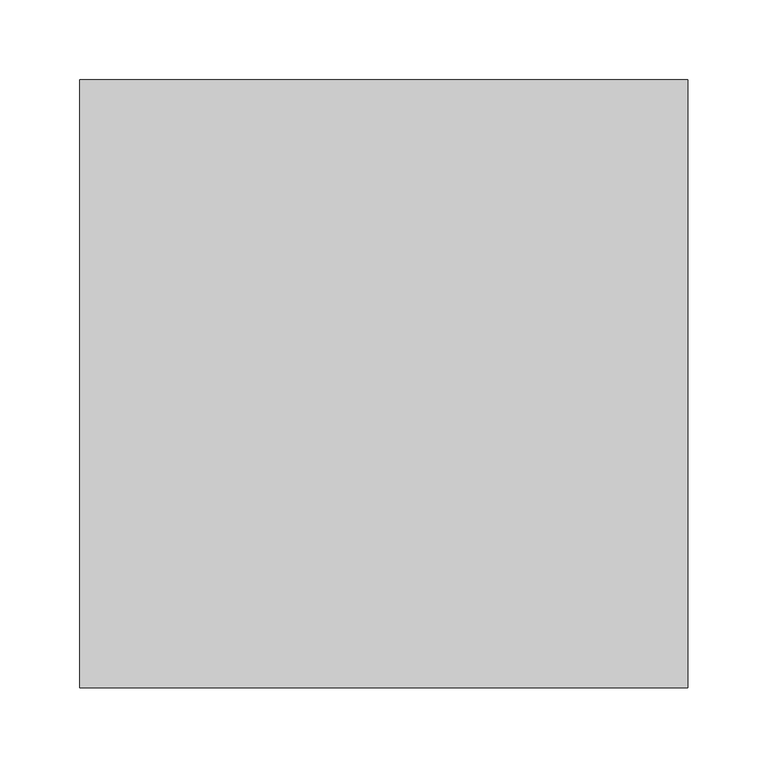
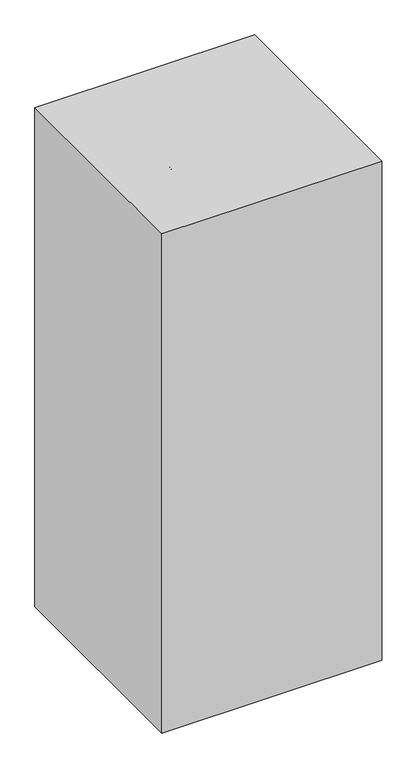
"""IFC4 building model written with IfcOpenShell, lengths in millimetres: proxy geometry."""

from ifc_helpers import new_model, si_unit, point, frame, frame_2d, origin, origin_with_axes, place, context, project, spatial, polyline, circle_curve, ellipse_curve, trimmed, segment, composite_curve, outline, extrude, source, transform, mapped, element, save
from ifc_brep_helpers import plane_surface, cylinder_surface, revolved_surface, advanced_brep


def specialty_equipment_75e57760(model_context):
    return source(origin(), model_context, "Body", "SolidModel", [
        extrude(outline(polyline([(0.0, 76.2), (12.7, 76.2), (12.7, 0.0), (0.0, 0.0), (0.0, 76.2)])), frame((-177.5900934, -239.9893842, 820.2504278), z_axis=(0.0, 0.4694715627858957, 0.8829475928589243), x_axis=(0.0, -0.8829475928589243, 0.4694715627858957)), (0.0, 0.0, 1.0), 76.2),
        advanced_brep(
        [(44.45, -215.9, 736.6), (44.45, -215.9, 723.9), (-22.0110536, -215.9, 723.9), (-16.0889464, -215.9, 736.6), (-90.7072211, -215.9, 805.7689044), (-78.0072211, -215.9, 810.3913264), (-90.7072211, -215.9, 846.1801154), (-78.0072211, -215.9, 858.8801154), (-160.5572211, -215.9, 858.8801154), (-160.5572211, -215.9, 846.1801154)],
        [
            (0, 1, circle_curve(frame((44.45, -215.9, 730.25), z_axis=(1.0, 0.0, 0.0), x_axis=(0.0, 0.0, -1.0)), 6.35)),
            (1, 0, circle_curve(frame((44.45, -215.9, 730.25), z_axis=(1.0, 0.0, 0.0), x_axis=(0.0, 0.0, -1.0)), 6.35)),
            (1, 2),
            (2, 3, ellipse_curve(frame((-19.05, -215.9, 730.25), z_axis=(0.9063077870366524, 0.0, -0.4226182617406946), x_axis=(0.42261826174069395, 0.0, 0.9063077870366525)), 7.0064498, 6.35)),
            (3, 0),
            (3, 2, ellipse_curve(frame((-19.05, -215.9, 730.25), z_axis=(0.9063077870366524, 0.0, -0.4226182617406946), x_axis=(0.42261826174069395, 0.0, 0.9063077870366525)), 7.0064498, 6.35)),
            (2, 4),
            (4, 5, ellipse_curve(frame((-84.3572211, -215.9, 808.0801154), z_axis=(0.3420201433256669, 0.0, -0.9396926207859092), x_axis=(0.9396926207859089, 0.0, 0.3420201433256674)), 6.7575289, 6.35)),
            (5, 3),
            (5, 4, ellipse_curve(frame((-84.3572211, -215.9, 808.0801154), z_axis=(0.3420201433256669, 0.0, -0.9396926207859092), x_axis=(0.9396926207859089, 0.0, 0.3420201433256674)), 6.7575289, 6.35)),
            (4, 6),
            (6, 7, ellipse_curve(frame((-84.3572211, -215.9, 852.5301154), z_axis=(0.7071067811865464, 0.0, -0.7071067811865487), x_axis=(-0.7071067811865487, 0.0, -0.7071067811865464)), 8.9802561, 6.35)),
            (7, 5),
            (7, 6, ellipse_curve(frame((-84.3572211, -215.9, 852.5301154), z_axis=(0.7071067811865464, 0.0, -0.7071067811865487), x_axis=(-0.7071067811865487, 0.0, -0.7071067811865464)), 8.9802561, 6.35)),
            (8, 9, circle_curve(frame((-160.5572211, -215.9, 852.5301154), z_axis=(-1.0, 0.0, 0.0), x_axis=(0.0, 0.0, -1.0)), 6.35)),
            (9, 8, circle_curve(frame((-160.5572211, -215.9, 852.5301154), z_axis=(-1.0, 0.0, 0.0), x_axis=(0.0, 0.0, -1.0)), 6.35)),
            (6, 9),
            (8, 7),
        ],
        [
            plane_surface(frame((44.45, -215.9, 730.25), z_axis=(1.0, 0.0, 0.0), x_axis=(0.0, 1.0, 0.0))),
            cylinder_surface(frame((44.45, -215.9, 730.25), z_axis=(1.0, 0.0, 0.0), x_axis=(0.0, 0.0, -1.0)), 6.35),
            cylinder_surface(frame((-19.05, -215.9, 730.25), z_axis=(0.6427876096865375, 0.0, -0.7660444431189797), x_axis=(-0.7660444431189797, 0.0, -0.6427876096865375)), 6.35),
            cylinder_surface(frame((-84.3572211, -215.9, 808.0801154), z_axis=(0.0, 0.0, -1.0), x_axis=(-1.0, 0.0, 0.0)), 6.35),
            plane_surface(frame((-160.5572211, -215.9, 852.5301154), z_axis=(-1.0, 0.0, 0.0), x_axis=(0.0, 1.0, 0.0))),
            cylinder_surface(frame((-84.3572211, -215.9, 852.5301154), z_axis=(1.0, 0.0, 0.0), x_axis=(0.0, 0.0, -1.0)), 6.35),
        ],
        [
            (0, [[1, 2]]),
            (1, [[3, 4, 5, -2]]),
            (1, [[-5, 6, -3, -1]]),
            (2, [[7, 8, 9, -4]]),
            (2, [[-9, 10, -7, -6]]),
            (3, [[11, 12, 13, -8]]),
            (3, [[-13, 14, -11, -10]]),
            (4, [[15, 16]]),
            (5, [[17, -15, 18, -12]]),
            (5, [[-18, -16, -17, -14]]),
        ],
    ),
        extrude(outline(composite_curve([segment(trimmed(circle_curve(frame_2d((730.25, 63.5)), 12.7), [point((730.25, 50.8))], [point((730.25, 76.2))], False, "CARTESIAN"), True, "CONTINUOUS"), segment(trimmed(circle_curve(frame_2d((730.25, 63.5)), 12.7), [point((730.25, 76.2))], [point((730.25, 50.8))], False, "CARTESIAN"), True, "CONTINUOUS")], self_intersect=False)), frame((0.0, -247.65, 0.0), z_axis=(0.0, 1.0, 0.0), x_axis=(0.0, 0.0, 1.0)), (0.0, 0.0, 1.0), 158.75),
        extrude(outline(composite_curve([segment(trimmed(circle_curve(frame_2d((730.25, 63.5)), 19.05), [point((730.25, 44.45))], [point((730.25, 82.55))], False, "CARTESIAN"), True, "CONTINUOUS"), segment(trimmed(circle_curve(frame_2d((730.25, 63.5)), 19.05), [point((730.25, 82.55))], [point((730.25, 44.45))], False, "CARTESIAN"), True, "CONTINUOUS")], self_intersect=False)), frame((0.0, -88.9, 0.0), z_axis=(0.0, 1.0, 0.0), x_axis=(0.0, 0.0, 1.0)), (0.0, 0.0, 1.0), 12.7),
        advanced_brep(
        [(6.6749119, -243.5968916, 875.3512512), (-10.6059042, -243.5968916, 883.409428), (-6.9449456, -243.5968916, 853.6764958), (-18.4550544, -243.5968916, 859.0437478)],
        [
            (0, 1, circle_curve(frame((-1.9654962, -243.5968916, 879.3803396), z_axis=(0.42261826174068884, 0.0, 0.9063077870366552), x_axis=(-0.9063077870366548, 0.0, 0.42261826174068906)), 9.5336354)),
            (1, 0, circle_curve(frame((-1.9654962, -243.5968916, 879.3803396), z_axis=(0.42261826174068884, 0.0, 0.9063077870366552), x_axis=(0.9063077870366554, 0.0, -0.4226182617406879)), 9.5336354)),
            (2, 3, circle_curve(frame((-12.7, -243.5968916, 856.3601218), z_axis=(-0.42261826174068884, 0.0, -0.9063077870366552), x_axis=(0.9063077870366554, 0.0, -0.4226182617406879)), 6.35)),
            (3, 2, circle_curve(frame((-12.7, -243.5968916, 856.3601218), z_axis=(-0.42261826174068884, 0.0, -0.9063077870366552), x_axis=(-0.9063077870366548, 0.0, 0.42261826174068906)), 6.35)),
            (3, 1),
            (0, 2),
        ],
        [
            plane_surface(frame((-1.9654962, -243.5968916, 879.3803396), z_axis=(0.42261826174068934, 0.0, 0.9063077870366547), x_axis=(0.0, -1.0, 0.0))),
            plane_surface(frame((-12.7, -243.5968916, 856.3601218), z_axis=(-0.42261826174068934, 0.0, -0.9063077870366547), x_axis=(0.0, -1.0, 0.0))),
            revolved_surface(polyline([(-18.45505446296622, -243.5968916, 859.0437477089987), (-10.605904175746641, -243.5968916, 883.4094280752884)]), (-34.1107742, -243.5968916, 810.4445683), (0.4226182617406887, 0.0, 0.9063077870366549)),
            revolved_surface(polyline([(-6.9449455778731135, -243.5968916, 853.6764957896821), (6.674911899999998, -243.5968916, 875.3512512)]), (-34.1107742, -243.5968916, 810.4445683), (0.4226182617406887, 0.0, 0.9063077870366549)),
        ],
        [
            (0, [[1, 2]]),
            (1, [[3, 4]]),
            (2, [[5, -1, 6, -4]]),
            (3, [[-6, -2, -5, -3]]),
        ],
    ),
        advanced_brep(
        [(120.3250881, -243.5968916, 875.3512512), (137.6059042, -243.5968916, 883.409428), (133.9449456, -243.5968916, 853.6764958), (145.4550544, -243.5968916, 859.0437478)],
        [
            (0, 1, circle_curve(frame((128.9654962, -243.5968916, 879.3803396), z_axis=(-0.4226182617406885, 0.0, 0.9063077870366552), x_axis=(0.9063077870366556, 0.0, 0.42261826174068745)), 9.5336354)),
            (1, 0, circle_curve(frame((128.9654962, -243.5968916, 879.3803396), z_axis=(-0.4226182617406885, 0.0, 0.9063077870366552), x_axis=(-0.9063077870366549, 0.0, -0.4226182617406886)), 9.5336354)),
            (2, 3, circle_curve(frame((139.7, -243.5968916, 856.3601218), z_axis=(0.4226182617406885, 0.0, -0.9063077870366552), x_axis=(-0.9063077870366549, 0.0, -0.4226182617406886)), 6.35)),
            (3, 2, circle_curve(frame((139.7, -243.5968916, 856.3601218), z_axis=(0.4226182617406885, 0.0, -0.9063077870366552), x_axis=(0.9063077870366556, 0.0, 0.42261826174068745)), 6.35)),
            (2, 0),
            (1, 3),
        ],
        [
            plane_surface(frame((128.9654962, -243.5968916, 879.3803396), z_axis=(-0.42261826174068934, 0.0, 0.9063077870366547), x_axis=(0.0, 1.0, 0.0))),
            plane_surface(frame((139.7, -243.5968916, 856.3601218), z_axis=(0.42261826174068934, 0.0, -0.9063077870366547), x_axis=(0.0, 1.0, 0.0))),
            revolved_surface(polyline([(133.9449455778731, -243.5968916, 853.676495789682), (120.3250881, -243.5968916, 875.3512512)]), (161.1107742, -243.5968916, 810.4445683), (-0.4226182617406885, 0.0, 0.9063077870366552)),
            revolved_surface(polyline([(145.45505446296622, -243.5968916, 859.0437477089987), (137.60590417574664, -243.5968916, 883.4094280752884)]), (161.1107742, -243.5968916, 810.4445683), (-0.4226182617406885, 0.0, 0.9063077870366552)),
        ],
        [
            (0, [[1, 2]]),
            (1, [[3, 4]]),
            (2, [[5, -2, 6, -3]]),
            (3, [[-6, -1, -5, -4]]),
        ],
    ),
        advanced_brep(
        [(133.9449456, -258.1987298, 853.6764958), (145.4550544, -258.1987298, 859.0437478), (154.7573277, -258.1987298, 839.0949585), (140.7444281, -258.1987298, 839.0949585), (135.6945183, -258.1987298, 798.2146318), (127.603726, -258.1987298, 810.9146318), (63.5, -258.1987298, 798.2146318), (63.5, -258.1987298, 810.9146318), (-8.6945183, -258.1987298, 798.2146318), (-0.603726, -258.1987298, 810.9146318), (-27.7573277, -258.1987298, 839.0949585), (-13.7444281, -258.1987298, 839.0949585), (-6.9449456, -258.1987298, 853.6764958), (-18.4550544, -258.1987298, 859.0437478)],
        [
            (0, 1, circle_curve(frame((139.7, -258.1987298, 856.3601218), z_axis=(-0.42261826174069717, 0.0, 0.906307787036651), x_axis=(0.906307787036651, 0.0, 0.42261826174069717)), 6.35)),
            (1, 0, circle_curve(frame((139.7, -258.1987298, 856.3601218), z_axis=(-0.42261826174069717, 0.0, 0.906307787036651), x_axis=(0.906307787036651, 0.0, 0.42261826174069717)), 6.35)),
            (1, 2),
            (2, 3, ellipse_curve(frame((147.7508779, -258.1987298, 839.0949585), z_axis=(0.0, 0.0, 1.0), x_axis=(-1.0, 0.0, 0.0)), 7.0064498, 6.35)),
            (3, 0),
            (3, 2, ellipse_curve(frame((147.7508779, -258.1987298, 839.0949585), z_axis=(0.0, 0.0, 1.0), x_axis=(-1.0, 0.0, 0.0)), 7.0064498, 6.35)),
            (2, 4),
            (4, 5, ellipse_curve(frame((131.6491221, -258.1987298, 804.5646318), z_axis=(0.8433914458128876, 0.0, 0.5372996083468209), x_axis=(-0.5372996083468209, 0.0, 0.8433914458128876)), 7.5291255, 6.35)),
            (5, 3),
            (5, 4, ellipse_curve(frame((131.6491221, -258.1987298, 804.5646318), z_axis=(0.8433914458128876, 0.0, 0.5372996083468209), x_axis=(-0.5372996083468209, 0.0, 0.8433914458128876)), 7.5291255, 6.35)),
            (4, 6),
            (6, 7, circle_curve(frame((63.5, -258.1987298, 804.5646318), z_axis=(1.0, 0.0, 0.0), x_axis=(0.0, 0.0, -1.0)), 6.35)),
            (7, 5),
            (7, 6, circle_curve(frame((63.5, -258.1987298, 804.5646318), z_axis=(1.0, 0.0, 0.0), x_axis=(0.0, 0.0, -1.0)), 6.35)),
            (6, 8),
            (8, 9, ellipse_curve(frame((-4.6491221, -258.1987298, 804.5646318), z_axis=(0.8433914458128859, 0.0, -0.5372996083468236), x_axis=(0.5372996083468233, 0.0, 0.8433914458128859)), 7.5291255, 6.35)),
            (9, 7),
            (9, 8, ellipse_curve(frame((-4.6491221, -258.1987298, 804.5646318), z_axis=(0.8433914458128859, 0.0, -0.5372996083468236), x_axis=(0.5372996083468233, 0.0, 0.8433914458128859)), 7.5291255, 6.35)),
            (8, 10),
            (10, 11, ellipse_curve(frame((-20.7508779, -258.1987298, 839.0949585), z_axis=(0.0, 0.0, -1.0), x_axis=(1.0, 0.0, 0.0)), 7.0064498, 6.35)),
            (11, 9),
            (11, 10, ellipse_curve(frame((-20.7508779, -258.1987298, 839.0949585), z_axis=(0.0, 0.0, -1.0), x_axis=(1.0, 0.0, 0.0)), 7.0064498, 6.35)),
            (12, 13, circle_curve(frame((-12.7, -258.1987298, 856.3601218), z_axis=(0.42261826174069733, 0.0, 0.9063077870366509), x_axis=(-0.9063077870366509, 0.0, 0.42261826174069733)), 6.35)),
            (13, 12, circle_curve(frame((-12.7, -258.1987298, 856.3601218), z_axis=(0.42261826174069733, 0.0, 0.9063077870366509), x_axis=(-0.9063077870366509, 0.0, 0.42261826174069733)), 6.35)),
            (10, 13),
            (12, 11),
        ],
        [
            plane_surface(frame((139.7, -76.2, 856.3601218), z_axis=(-0.42261826174069717, 0.0, 0.906307787036651), x_axis=(0.0, 1.0, 0.0))),
            cylinder_surface(frame((139.7, -258.1987298, 856.3601218), z_axis=(-0.42261826174069717, 0.0, 0.906307787036651), x_axis=(0.906307787036651, 0.0, 0.42261826174069717)), 6.35),
            cylinder_surface(frame((147.7508779, -258.1987298, 839.0949585), z_axis=(0.42261826174070577, 0.0, 0.9063077870366469), x_axis=(0.9063077870366469, 0.0, -0.42261826174070577)), 6.35),
            cylinder_surface(frame((131.6491221, -258.1987298, 804.5646318), z_axis=(1.0, 0.0, 0.0), x_axis=(0.0, 0.0, -1.0)), 6.35),
            cylinder_surface(frame((63.5, -258.1987298, 804.5646318), z_axis=(1.0, 0.0, 0.0), x_axis=(0.0, 0.0, -1.0)), 6.35),
            cylinder_surface(frame((-4.6491221, -258.1987298, 804.5646318), z_axis=(0.42261826174070016, 0.0, -0.9063077870366497), x_axis=(-0.9063077870366497, 0.0, -0.42261826174070016)), 6.35),
            plane_surface(frame((-12.7, -76.2, 856.3601218), z_axis=(0.4226182617406972, 0.0, 0.906307787036651), x_axis=(0.0, 1.0, 0.0))),
            cylinder_surface(frame((-20.7508779, -258.1987298, 839.0949585), z_axis=(-0.42261826174069733, 0.0, -0.9063077870366509), x_axis=(-0.9063077870366509, 0.0, 0.42261826174069733)), 6.35),
        ],
        [
            (0, [[1, 2]]),
            (1, [[3, 4, 5, -2]]),
            (1, [[-5, 6, -3, -1]]),
            (2, [[7, 8, 9, -4]]),
            (2, [[-9, 10, -7, -6]]),
            (3, [[11, 12, 13, -8]]),
            (3, [[-13, 14, -11, -10]]),
            (4, [[15, 16, 17, -12]]),
            (4, [[-17, 18, -15, -14]]),
            (5, [[19, 20, 21, -16]]),
            (5, [[-21, 22, -19, -18]]),
            (6, [[23, 24]]),
            (7, [[25, -23, 26, -20]]),
            (7, [[-26, -24, -25, -22]]),
        ],
    ),
        advanced_brep(
        [(-38.1, -254.0, 826.8645295), (-38.1, -254.0, 788.7645295), (165.1, -254.0, 788.7645295), (165.1, -254.0, 826.8645295), (-57.15, -254.0, 859.8600974), (184.15, -254.0, 859.8600974), (-52.5014774, -254.0, 864.50862), (179.5014774, -254.0, 864.50862), (-31.75, -254.0, 828.5660069), (158.75, -254.0, 828.5660069), (-31.75, -254.0, 795.1145295), (158.75, -254.0, 795.1145295), (63.5, -254.0, 795.1145295), (63.5, -254.0, 788.7645295)],
        [
            (0, 1),
            (1, 2, circle_curve(frame((63.5, -254.0, 788.7645295), z_axis=(0.0, 0.0, 1.0), x_axis=(1.0, 0.0, 0.0)), 101.6)),
            (2, 3),
            (3, 0, circle_curve(frame((63.5, -254.0, 826.8645295), z_axis=(0.0, 0.0, -1.0), x_axis=(1.0, 0.0, 0.0)), 101.6)),
            (2, 1, circle_curve(frame((63.5, -254.0, 788.7645295), z_axis=(0.0, 0.0, 1.0), x_axis=(1.0, 0.0, 0.0)), 101.6)),
            (0, 3, circle_curve(frame((63.5, -254.0, 826.8645295), z_axis=(0.0, 0.0, -1.0), x_axis=(1.0, 0.0, 0.0)), 101.6)),
            (4, 0),
            (3, 5),
            (5, 4, circle_curve(frame((63.5, -254.0, 859.8600974), z_axis=(0.0, 0.0, -1.0), x_axis=(1.0, 0.0, 0.0)), 120.65)),
            (4, 5, circle_curve(frame((63.5, -254.0, 859.8600974), z_axis=(0.0, 0.0, -1.0), x_axis=(1.0, 0.0, 0.0)), 120.65)),
            (6, 4),
            (5, 7),
            (7, 6, circle_curve(frame((63.5, -254.0, 864.50862), z_axis=(0.0, 0.0, -1.0), x_axis=(1.0, 0.0, 0.0)), 116.0014774)),
            (6, 7, circle_curve(frame((63.5, -254.0, 864.50862), z_axis=(0.0, 0.0, -1.0), x_axis=(1.0, 0.0, 0.0)), 116.0014774)),
            (8, 6),
            (7, 9),
            (9, 8, circle_curve(frame((63.5, -254.0, 828.5660069), z_axis=(0.0, 0.0, -1.0), x_axis=(1.0, 0.0, 0.0)), 95.25)),
            (8, 9, circle_curve(frame((63.5, -254.0, 828.5660069), z_axis=(0.0, 0.0, -1.0), x_axis=(1.0, 0.0, 0.0)), 95.25)),
            (10, 8),
            (9, 11),
            (11, 10, circle_curve(frame((63.5, -254.0, 795.1145295), z_axis=(0.0, 0.0, -1.0), x_axis=(1.0, 0.0, 0.0)), 95.25)),
            (10, 11, circle_curve(frame((63.5, -254.0, 795.1145295), z_axis=(0.0, 0.0, -1.0), x_axis=(1.0, 0.0, 0.0)), 95.25)),
            (12, 10),
            (11, 12),
            (1, 13),
            (13, 2),
        ],
        [
            cylinder_surface(frame((63.5, -254.0, 884.0145295), z_axis=(0.0, 0.0, 1.0), x_axis=(1.0, 0.0, 0.0)), 101.6),
            revolved_surface(polyline([(165.1, -254.0, 826.8645295), (184.15, -254.0, 859.8600974)]), (63.5, -254.0, 884.0145295), (0.0, 0.0, 1.0)),
            revolved_surface(polyline([(184.15, -254.0, 859.8600974), (179.5014774, -254.0, 864.50862)]), (63.5, -254.0, 884.0145295), (0.0, 0.0, 1.0)),
            revolved_surface(polyline([(179.5014774, -254.0, 864.50862), (158.75, -254.0, 828.5660069)]), (63.5, -254.0, 884.0145295), (0.0, 0.0, 1.0)),
            revolved_surface(polyline([(158.75, -254.0, 828.5660069), (158.75, -254.0, 795.1145295)]), (63.5, -254.0, 884.0145295), (0.0, 0.0, 1.0)),
            plane_surface(frame((63.5, -254.0, 795.1145295), z_axis=(0.0, 0.0, 1.0), x_axis=(1.0, 0.0, 0.0))),
            plane_surface(frame((63.5, -254.0, 788.7645295), z_axis=(0.0, 0.0, -1.0), x_axis=(1.0, 0.0, 0.0))),
        ],
        [
            (0, [[1, 2, 3, 4]]),
            (0, [[-3, 5, -1, 6]]),
            (1, [[7, -4, 8, 9]]),
            (1, [[-8, -6, -7, 10]]),
            (2, [[11, -9, 12, 13]]),
            (2, [[-12, -10, -11, 14]]),
            (3, [[15, -13, 16, 17]]),
            (3, [[-16, -14, -15, 18]]),
            (4, [[19, -17, 20, 21]]),
            (4, [[-20, -18, -19, 22]]),
            (5, [[23, -21, 24]]),
            (5, [[-24, -22, -23]]),
            (6, [[25, 26, -2]]),
            (6, [[-26, -25, -5]]),
        ],
    ),
        extrude(outline(composite_curve([segment(trimmed(circle_curve(frame_2d((63.5, -242.7630601)), 19.05), [point((44.45, -242.7630601))], [point((82.55, -242.7630601))], False, "CARTESIAN"), True, "CONTINUOUS"), segment(trimmed(circle_curve(frame_2d((63.5, -242.7630601)), 19.05), [point((82.55, -242.7630601))], [point((44.45, -242.7630601))], False, "CARTESIAN"), True, "CONTINUOUS")], self_intersect=False)), frame((0.0, 0.0, 678.0316343), z_axis=(0.0, 0.0, 1.0), x_axis=(1.0, 0.0, 0.0)), (0.0, 0.0, 1.0), 110.7328952),
        extrude(outline(polyline([(190.5, -442.9125), (-190.5, -442.9125), (-190.5, -61.9125), (190.5, -61.9125), (190.5, -442.9125)])), origin_with_axes(), (0.0, 0.0, 1.0), 914.4),
    ])


if __name__ == "__main__":
    model = new_model("IFC4")
    model_context = context("Model", 3, world=origin())
    ifc_project = project(units=[si_unit("LENGTHUNIT", "METRE", prefix="MILLI")], contexts=[model_context])
    site = spatial("IfcSite", under=ifc_project)
    building = spatial("IfcBuilding", under=site)
    placement = place(None, origin())
    specialty_equipment_shape = specialty_equipment_75e57760(model_context)
    element("IfcBuildingElementProxy", 1, Name="Specialty Equipment", at=placement, inside=building, context=model_context, shape_type="MappedRepresentation", body=[
        mapped(specialty_equipment_shape, transform((0.0, 0.0, 0.0), x_axis=(1.0, 0.0, 0.0), y_axis=(0.0, 1.0, 0.0), z_axis=(0.0, 0.0, 1.0))),
    ])
    save(model, "model.ifc")
